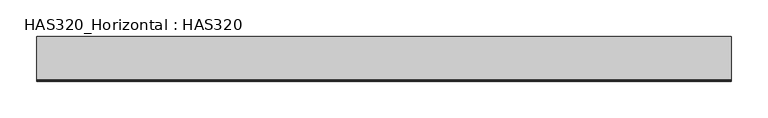
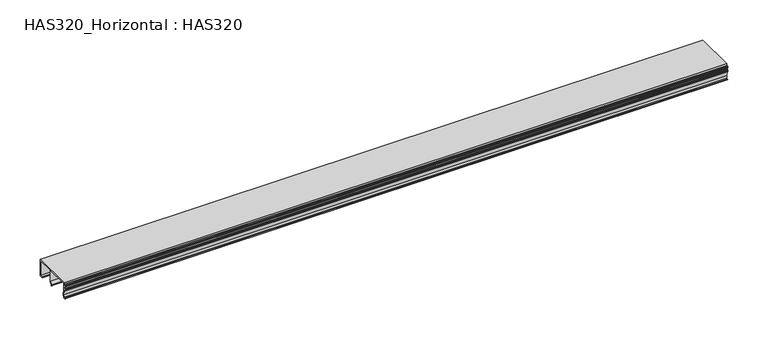
"""IFC4 building model written with IfcOpenShell, lengths in millimetres: beam geometry, HAS320_Horizontal : HAS320."""

from ifc_helpers import new_model, si_unit, point, frame, frame_2d, origin, place, context, project, spatial, polyline, circle_curve, trimmed, segment, composite_curve, outline, extrude, source, transform, mapped, element, save


def has320_horizontal_has320_c2babdbc(model_context):
    return source(origin(), model_context, "Body", "SweptSolid", [
        extrude(outline(composite_curve([segment(polyline([(-28.3456592, 23.7684887), (-28.3456592, 15.4919614)]), True, "CONTINUOUS"), segment(trimmed(circle_curve(frame_2d((-29.1945338, 15.4919614)), 0.8488746), [point((-28.3456592, 15.4919614))], [point((-29.1945338, 14.6430868))], False, "CARTESIAN"), True, "CONTINUOUS"), segment(polyline([(-29.1945338, 14.6430868), (-27.9212219, 6.7909968), (-28.3842444, 1.6977492), (-30.892283, 1.6977492), (-31.5289389, 2.3344051), (-30.892283, 2.9710611), (-29.4067524, 2.9710611), (-28.9823151, 6.5787781), (-30.4678457, 14.6430868), (-31.4403573, 14.6430868)]), True, "CONTINUOUS"), segment(trimmed(circle_curve(frame_2d((-31.4403573, 15.1561057)), 0.5130189), [point((-31.4403573, 14.6430868))], [point((-31.9533762, 15.1561057))], False, "CARTESIAN"), True, "CONTINUOUS"), segment(polyline([(-31.9533762, 15.1561057), (-31.9533762, 16.7452281)]), True, "CONTINUOUS"), segment(trimmed(circle_curve(frame_2d((-31.4228296, 16.7452281)), 0.5305466), [point((-31.9533762, 16.7452281))], [point((-30.892283, 16.7452281))], False, "CARTESIAN"), True, "CONTINUOUS"), segment(polyline([(-30.892283, 16.7452281), (-30.892283, 15.9163987), (-29.4067524, 15.9163987), (-29.4067524, 21.4340836), (-30.892283, 21.4340836), (-30.892283, 20.6340836)]), True, "CONTINUOUS"), segment(trimmed(circle_curve(frame_2d((-31.4228296, 20.6340836)), 0.5305466), [point((-30.892283, 20.6340836))], [point((-31.9533762, 20.6340836))], False, "CARTESIAN"), True, "CONTINUOUS"), segment(polyline([(-31.9533762, 20.6340836), (-31.9533762, 22.1908368)]), True, "CONTINUOUS"), segment(trimmed(circle_curve(frame_2d((-31.4368175, 22.1908368)), 0.5165587), [point((-31.9533762, 22.1908368))], [point((-31.4368175, 22.7073955))], False, "CARTESIAN"), True, "CONTINUOUS"), segment(polyline([(-31.4368175, 22.7073955), (-29.6189711, 22.7073955), (-29.6189711, 25.0418006), (29.6189711, 25.0418006), (29.6189711, 0.0), (25.1623794, 0.0), (24.5257235, 0.6366559), (25.1623794, 1.2733119), (28.3456592, 1.2733119), (28.3456592, 23.7684887), (5.426045, 23.7684887), (5.426045, 5.0629306), (3.7282958, 5.3054662), (2.0305466, 3.607717), (2.5876206, 2.6792605)]), True, "CONTINUOUS"), segment(trimmed(circle_curve(frame_2d((2.2799035, 2.2176849)), 0.5547448), [point((2.5876206, 2.6792605))], [point((1.818328, 1.9099678))], False, "CARTESIAN"), True, "CONTINUOUS"), segment(polyline([(1.818328, 1.9099678), (0.6136751, 3.7169472), (4.3649518, 7.2002756), (4.3649518, 23.7684887), (-28.3456592, 23.7684887)]), True, "CONTINUOUS")], self_intersect=False)), frame((-474.9581994, 0.0, 0.0), z_axis=(1.0, 0.0, 0.0), x_axis=(0.0, 1.0, 0.0)), (0.0, 0.0, 1.0), 949.9163987),
    ])


if __name__ == "__main__":
    model = new_model("IFC4")
    model_context = context("Model", 3, world=origin())
    ifc_project = project(units=[si_unit("LENGTHUNIT", "METRE", prefix="MILLI")], contexts=[model_context])
    site = spatial("IfcSite", under=ifc_project)
    building = spatial("IfcBuilding", under=site)
    placement = place(None, origin())
    has320_horizontal_has320_shape = has320_horizontal_has320_c2babdbc(model_context)
    element("IfcBeam", 1, ObjectType="HAS320_Horizontal : HAS320", at=placement, inside=building, context=model_context, shape_type="MappedRepresentation", body=[
        mapped(has320_horizontal_has320_shape, transform((0.0, 0.0, 0.0), x_axis=(1.0, 0.0, 0.0), y_axis=(0.0, 1.0, 0.0), z_axis=(0.0, 0.0, 1.0))),
    ])
    save(model, "model.ifc")
